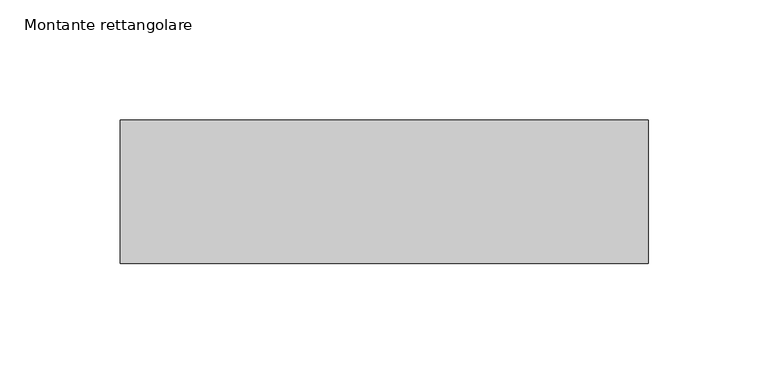
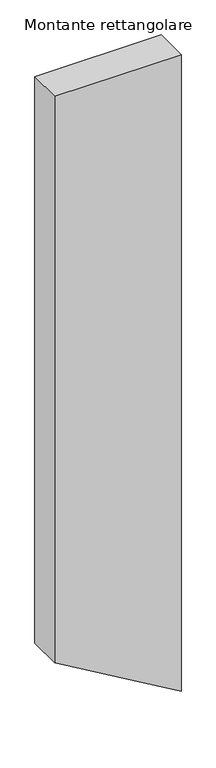
"""IFC4 building model written with IfcOpenShell, lengths in millimetres: member geometry, Montante rettangolare."""

from ifc_helpers import new_model, si_unit, frame, origin, place, context, project, spatial, polyline, outline, extrude, source, transform, mapped, element, save


def montante_rettangolare_1aef4ccb(model_context):
    return source(origin(), model_context, "Body", "SweptSolid", [
        extrude(outline(polyline([(0.0, 110.0), (0.0, -110.0), (-1043.5705073, -110.0), (-1123.3136063, 25.3769181), (-1173.1604109, 110.0), (0.0, 110.0)])), frame((0.0, -30.0, 0.0), z_axis=(0.0, 1.0, 0.0), x_axis=(0.0, 0.0, 1.0)), (0.0, 0.0, 1.0), 60.0),
    ])


if __name__ == "__main__":
    model = new_model("IFC4")
    model_context = context("Model", 3, world=origin())
    ifc_project = project(units=[si_unit("LENGTHUNIT", "METRE", prefix="MILLI")], contexts=[model_context])
    site = spatial("IfcSite", under=ifc_project)
    building = spatial("IfcBuilding", under=site)
    placement = place(None, origin())
    montante_rettangolare_shape = montante_rettangolare_1aef4ccb(model_context)
    element("IfcMember", 1, ObjectType="Montante rettangolare", at=placement, inside=building, context=model_context, shape_type="MappedRepresentation", body=[
        mapped(montante_rettangolare_shape, transform((0.0, 0.0, 0.0), x_axis=(1.0, 0.0, 0.0), y_axis=(0.0, 1.0, 0.0), z_axis=(0.0, 0.0, 1.0))),
    ])
    save(model, "model.ifc")
